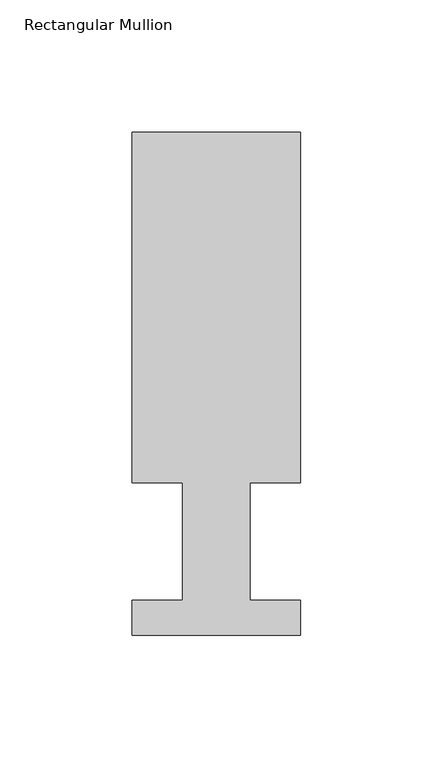
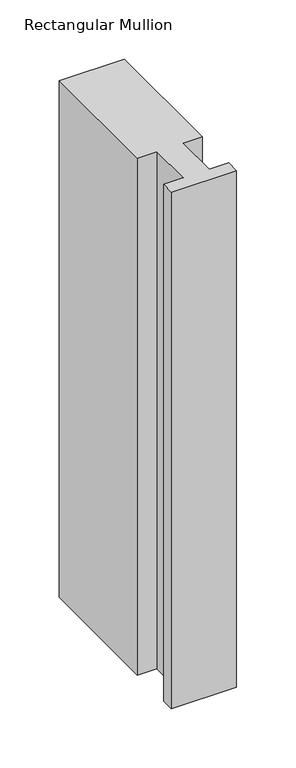
"""IFC4 building model written with IfcOpenShell, lengths in millimetres: member geometry, Rectangular Mullion."""

import ifcopenshell
import ifcopenshell.guid

model = None  # the IFC model being written
_history = None  # IfcOwnerHistory: only IFC2X3 demands one
_inside = {}  # id of a spatial element -> (the spatial element, [elements in it])
_under = {}  # id of a project, library or spatial element -> (it, [spatial elements below it])
_declared = {}  # id of a project -> (the project, [libraries it declares])
_typed = {}  # id of a type object -> (the type object, [elements of that type])
_made_of = {}  # id of a material, layer set ... -> (it, [elements and type objects made of it])


def new_model(schema):
    """Start an empty IFC model of exactly this schema.

    Asked for "IFC4X3", IfcOpenShell would pick the latest addendum, in which some entities
    have other attributes; the version numbers below select the first issue.
    IFC2X3 requires an IfcOwnerHistory on every rooted entity: one is made here for all.
    """
    global model, _history
    if schema == "IFC4X3":
        model = ifcopenshell.file(schema_version=(4, 3, 0, 0))
    else:
        model = ifcopenshell.file(schema=schema)
    _inside.clear()
    _under.clear()
    _declared.clear()
    _typed.clear()
    _made_of.clear()
    _history = None
    if model.schema == "IFC2X3":
        org = make("IfcOrganization", Name="unknown")
        user = make(
            "IfcPersonAndOrganization",
            ThePerson=make("IfcPerson", FamilyName="unknown"),
            TheOrganization=org,
        )
        app = make(
            "IfcApplication",
            ApplicationDeveloper=org,
            Version="unknown",
            ApplicationFullName="unknown",
            ApplicationIdentifier="unknown",
        )
        _history = make(
            "IfcOwnerHistory",
            OwningUser=user,
            OwningApplication=app,
            ChangeAction="ADDED",
            CreationDate=0,
        )
    return model


def make(cls, **values):
    """One entity of the class cls with the attributes given. An attribute that is None is left unset."""
    return model.create_entity(
        cls, **{name: value for name, value in values.items() if value is not None}
    )


def rooted(cls, **values):
    """An entity with a GlobalId (a new one), such as an element, a storey or a relation."""
    return make(cls, GlobalId=ifcopenshell.guid.new(), OwnerHistory=_history, **values)


def si_unit(unit_type, name, prefix=None):
    """IfcSIUnit, for example si_unit("LENGTHUNIT", "METRE", prefix="MILLI")."""
    return make("IfcSIUnit", UnitType=unit_type, Prefix=prefix, Name=name)


def assignment(units):
    """IfcUnitAssignment: the units of a project."""
    return None if units is None else make("IfcUnitAssignment", Units=units)


def point(xyz):
    """IfcCartesianPoint."""
    return None if xyz is None else make("IfcCartesianPoint", Coordinates=xyz)


def direction(xyz):
    """IfcDirection."""
    return None if xyz is None else make("IfcDirection", DirectionRatios=xyz)


def frame(location, z_axis=None, x_axis=None):
    """IfcAxis2Placement3D, a coordinate frame: its origin and axes. An axis left out is left unset."""
    return make(
        "IfcAxis2Placement3D",
        Location=point(location),
        Axis=direction(z_axis),
        RefDirection=direction(x_axis),
    )


def origin():
    """The frame at (0, 0, 0) with its axes left unset."""
    return frame((0.0, 0.0, 0.0))


def place(relative_to, where):
    """IfcLocalPlacement: puts the frame where relative to a parent placement (None: the world)."""
    return make(
        "IfcLocalPlacement", PlacementRelTo=relative_to, RelativePlacement=where
    )


def context(
    kind, dimensions, precision=None, world=None, true_north=None, identifier=None
):
    """IfcGeometricRepresentationContext, for example the 3D "Model" context."""
    return make(
        "IfcGeometricRepresentationContext",
        ContextIdentifier=identifier,
        ContextType=kind,
        CoordinateSpaceDimension=dimensions,
        Precision=precision,
        WorldCoordinateSystem=world,
        TrueNorth=true_north,
    )


def project(units=None, contexts=None):
    """IfcProject with its units and contexts."""
    return rooted(
        "IfcProject",
        Name="project",
        RepresentationContexts=contexts,
        UnitsInContext=assignment(units),
    )


def spatial(cls, under=None, at=None, **own):
    """A site, building, storey or space (cls), placed at a placement, below another one or the project."""
    s = rooted(cls, ObjectPlacement=at, **own)
    if under is not None:
        _under.setdefault(under.id(), (under, []))[1].append(s)
    return s


def polyline(points):
    """IfcPolyline through the points."""
    return make("IfcPolyline", Points=[point(p) for p in points])


def outline(outer, holes=None, kind="AREA"):
    """IfcArbitraryClosedProfileDef: a profile drawn as a closed curve; with holes, ...WithVoids."""
    if holes is None:
        return make("IfcArbitraryClosedProfileDef", ProfileType=kind, OuterCurve=outer)
    return make(
        "IfcArbitraryProfileDefWithVoids",
        ProfileType=kind,
        OuterCurve=outer,
        InnerCurves=holes,
    )


def extrude(swept, where, along, depth):
    """IfcExtrudedAreaSolid: the profile swept, set in the frame where, extruded along a direction by depth."""
    return make(
        "IfcExtrudedAreaSolid",
        SweptArea=swept,
        Position=where,
        ExtrudedDirection=direction(along),
        Depth=depth,
    )


def shape(context_of_items, identifier, shape_type, items):
    """IfcShapeRepresentation: the items that make up one representation, for example the "Body"."""
    return make(
        "IfcShapeRepresentation",
        ContextOfItems=context_of_items,
        RepresentationIdentifier=identifier,
        RepresentationType=shape_type,
        Items=items,
    )


def source(mapping_origin, context_of_items, identifier, shape_type, items):
    """IfcRepresentationMap: a shape defined once, which mapped items show again and again."""
    return make(
        "IfcRepresentationMap",
        MappingOrigin=mapping_origin,
        MappedRepresentation=shape(context_of_items, identifier, shape_type, items),
    )


def transform(
    local_origin,
    x_axis=None,
    y_axis=None,
    z_axis=None,
    scale=None,
    scale2=None,
    scale3=None,
    uniform=True,
):
    """IfcCartesianTransformationOperator3D, or its non-uniform kind. x_axis, y_axis, z_axis: its Axis1, 2, 3."""
    if uniform:
        return make(
            "IfcCartesianTransformationOperator3D",
            Axis1=direction(x_axis),
            Axis2=direction(y_axis),
            LocalOrigin=point(local_origin),
            Scale=scale,
            Axis3=direction(z_axis),
        )
    return make(
        "IfcCartesianTransformationOperator3DnonUniform",
        Axis1=direction(x_axis),
        Axis2=direction(y_axis),
        LocalOrigin=point(local_origin),
        Scale=scale,
        Axis3=direction(z_axis),
        Scale2=scale2,
        Scale3=scale3,
    )


def mapped(mapping_source, mapping_target):
    """IfcMappedItem: shows the shape of a source again, moved by a transform."""
    return make(
        "IfcMappedItem", MappingSource=mapping_source, MappingTarget=mapping_target
    )


def made_of(thing, what):
    """Note that an element or type object is made of a material, layer set ...; save() writes the relation."""
    if what is not None:
        _made_of.setdefault(what.id(), (what, []))[1].append(thing)
    return thing


def element(
    cls,
    number,
    at=None,
    inside=None,
    cuts=None,
    type_object=None,
    material=None,
    context=None,
    identifier="Body",
    shape_type=None,
    held_by="IfcProductDefinitionShape",
    body=None,
    shapes=None,
    **own,
):
    """One element of the class cls, such as IfcWall. Its Tag is "e" and its number.

    at: its placement. inside: the storey or other place that contains it. cuts: it is an
    opening in that element (IfcRelVoidsElement). A single representation is given by context,
    identifier, shape_type and body (its items); several are given by shapes. held_by: the class
    of the entity that holds the representations. save() writes the other relations.
    """
    e = rooted(cls, Tag="e%d" % number, ObjectPlacement=at, **own)
    if body is not None:
        shapes = [shape(context, identifier, shape_type, body)]
    if shapes is not None:
        e.Representation = make(held_by, Representations=shapes)
    if inside is not None:
        _inside.setdefault(inside.id(), (inside, []))[1].append(e)
    if cuts is not None:
        rooted(
            "IfcRelVoidsElement", RelatingBuildingElement=cuts, RelatedOpeningElement=e
        )
    if type_object is not None:
        _typed.setdefault(type_object.id(), (type_object, []))[1].append(e)
    return made_of(e, material)


def aggregate(whole, parts):
    """IfcRelAggregates: a whole, such as a stair, and the parts it consists of."""
    return rooted("IfcRelAggregates", RelatingObject=whole, RelatedObjects=parts)


def save(model, path):
    """Write the relations noted so far, then the file.

    IfcRelAggregates (storeys below a building ...), IfcRelContainedInSpatialStructure (elements
    in a storey), IfcRelDefinesByType, IfcRelAssociatesMaterial and IfcRelDeclares: one each for
    every whole, place, type object, material and project.
    """
    for whole, parts in _under.values():
        aggregate(whole, parts)
    for where, things in _inside.values():
        rooted(
            "IfcRelContainedInSpatialStructure",
            RelatedElements=things,
            RelatingStructure=where,
        )
    for kind, things in _typed.values():
        rooted("IfcRelDefinesByType", RelatedObjects=things, RelatingType=kind)
    for what, things in _made_of.values():
        rooted("IfcRelAssociatesMaterial", RelatedObjects=things, RelatingMaterial=what)
    for by, libraries in _declared.values():
        rooted("IfcRelDeclares", RelatingContext=by, RelatedDefinitions=libraries)
    model.write(path)


def rectangular_mullion_d9e668e2(model_context):
    return source(origin(), model_context, "Body", "SweptSolid", [
        extrude(outline(polyline([(-63.5, 189.8022937), (0.0, 189.8022937), (0.0, 57.6460937), (-19.0373, 57.6460937), (-19.0373, 13.1960937), (0.0, 13.1960937), (0.0, 0.0134937), (-63.5, 0.0134937), (-63.5, 13.1960937), (-44.45, 13.1960937), (-44.45, 57.6460937), (-63.5, 57.6460937), (-63.5, 189.8022937)])), frame((0.0, 0.0, -533.4), z_axis=(0.0, 0.0, 1.0), x_axis=(1.0, 0.0, 0.0)), (0.0, 0.0, 1.0), 533.4),
    ])


if __name__ == "__main__":
    model = new_model("IFC4")
    model_context = context("Model", 3, world=origin())
    ifc_project = project(units=[si_unit("LENGTHUNIT", "METRE", prefix="MILLI")], contexts=[model_context])
    site = spatial("IfcSite", under=ifc_project)
    building = spatial("IfcBuilding", under=site)
    placement = place(None, origin())
    rectangular_mullion_shape = rectangular_mullion_d9e668e2(model_context)
    element("IfcMember", 1, ObjectType="Rectangular Mullion", at=placement, inside=building, context=model_context, shape_type="MappedRepresentation", body=[
        mapped(rectangular_mullion_shape, transform((0.0, 0.0, 0.0), x_axis=(1.0, 0.0, 0.0), y_axis=(0.0, 1.0, 0.0), z_axis=(0.0, 0.0, 1.0))),
    ])
    save(model, "model.ifc")
